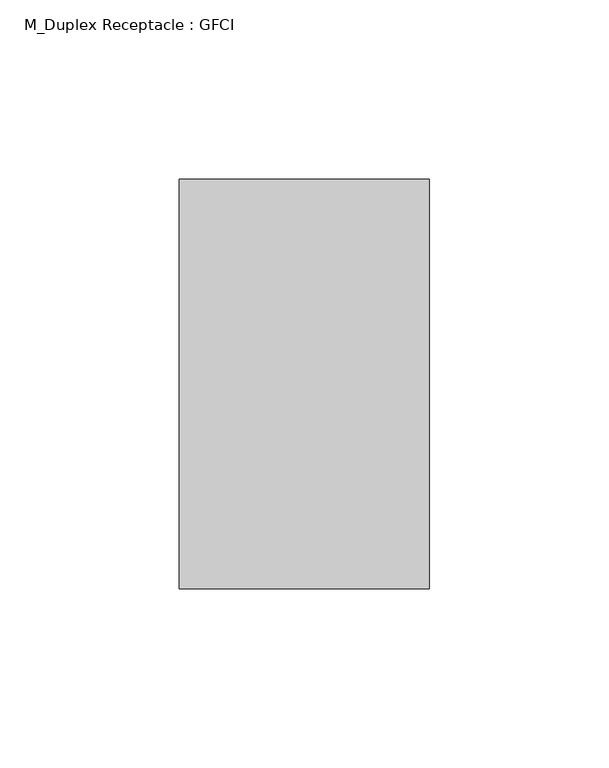
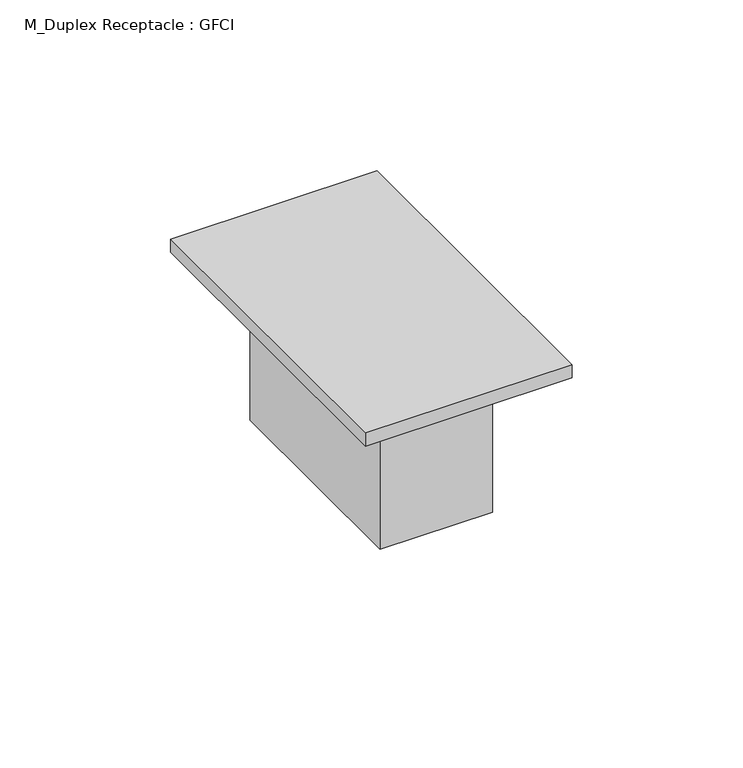
"""IFC4 building model written with IfcOpenShell, lengths in millimetres: proxy geometry, M_Duplex Receptacle : GFCI."""

from ifc_helpers import new_model, si_unit, frame, origin, origin_with_axes, place, context, project, spatial, polyline, outline, extrude, source, transform, mapped, element, save


def m_duplex_receptacle_gfci_10251bba(model_context):
    return source(origin(), model_context, "Body", "SweptSolid", [
        extrude(outline(polyline([(19.05, 38.1), (19.05, -38.1), (-19.05, -38.1), (-19.05, 38.1), (19.05, 38.1)])), frame((0.0, 0.0, -53.975), z_axis=(0.0, 0.0, 1.0), x_axis=(1.0, 0.0, 0.0)), (0.0, 0.0, 1.0), 53.975),
        extrude(outline(polyline([(34.925, 57.15), (34.925, -57.15), (-34.925, -57.15), (-34.925, 57.15), (34.925, 57.15)])), origin_with_axes(), (0.0, 0.0, 1.0), 4.7625),
    ])


if __name__ == "__main__":
    model = new_model("IFC4")
    model_context = context("Model", 3, world=origin())
    ifc_project = project(units=[si_unit("LENGTHUNIT", "METRE", prefix="MILLI")], contexts=[model_context])
    site = spatial("IfcSite", under=ifc_project)
    building = spatial("IfcBuilding", under=site)
    placement = place(None, origin())
    m_duplex_receptacle_gfci_shape = m_duplex_receptacle_gfci_10251bba(model_context)
    element("IfcBuildingElementProxy", 1, Name="M_Duplex Receptacle : GFCI", ObjectType="M_Duplex Receptacle : GFCI", at=placement, inside=building, context=model_context, shape_type="MappedRepresentation", body=[
        mapped(m_duplex_receptacle_gfci_shape, transform((0.0, 0.0, 0.0), x_axis=(1.0, 0.0, 0.0), y_axis=(0.0, 1.0, 0.0), z_axis=(0.0, 0.0, 1.0))),
    ])
    save(model, "model.ifc")
